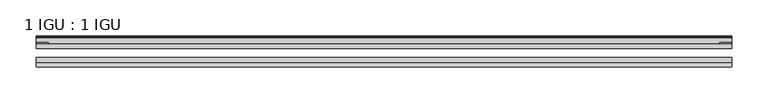
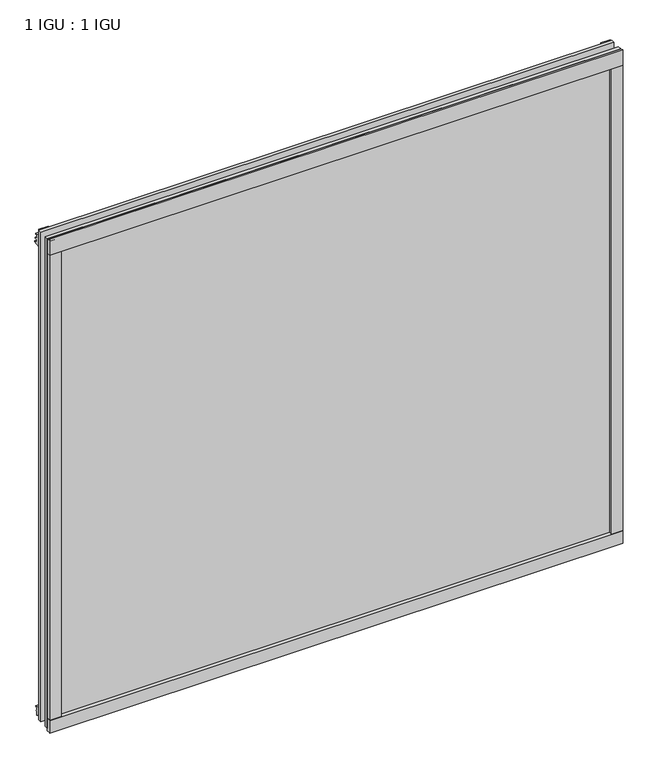
"""IFC4 building model written with IfcOpenShell, lengths in millimetres: plate geometry, 1 IGU : 1 IGU."""

from ifc_helpers import new_model, si_unit, point, frame, frame_2d, origin, place, context, project, spatial, polyline, circle_curve, trimmed, segment, composite_curve, outline, extrude, source, transform, mapped, element, save


def plate_1_igu_1_igu_a15a4ad9(model_context):
    return source(origin(), model_context, "Body", "SweptSolid", [
        extrude(outline(polyline([(481.33, 0.0021347), (481.33, -6.2992), (-481.33, -6.2992), (-481.33, 0.0021347), (481.33, 0.0021347)])), frame((0.0, 0.0, -17.4498), z_axis=(0.0, 0.0, 1.0), x_axis=(1.0, 0.0, 0.0)), (0.0, 0.0, 1.0), 868.3366072),
        extrude(outline(polyline([(-481.33, -19.0986653), (481.33, -19.0986653), (481.33, -25.3978653), (-481.33, -25.3978653), (-481.33, -19.0986653)])), frame((0.0, 0.0, -17.4498), z_axis=(0.0, 0.0, 1.0), x_axis=(1.0, 0.0, 0.0)), (0.0, 0.0, 1.0), 868.3366072),
        extrude(outline(composite_curve([segment(polyline([(-31.75, 0.0), (-25.4, 0.0), (-25.4, -22.225)]), True, "CONTINUOUS"), segment(trimmed(circle_curve(frame_2d((-28.575, -28.9113452)), 7.4018806), [point((-25.4, -22.225))], [point((-31.75, -22.225))], True, "CARTESIAN"), True, "CONTINUOUS"), segment(polyline([(-31.75, -22.225), (-31.75, 0.0)]), True, "CONTINUOUS")], self_intersect=False)), frame((-481.33, 0.0, 0.0), z_axis=(1.0, 0.0, 0.0), x_axis=(0.0, 1.0, 0.0)), (0.0, 0.0, 1.0), 962.66),
        extrude(outline(composite_curve([segment(trimmed(circle_curve(frame_2d((13.6593785, 32.4202472)), 31.3046461), [point((0.0, 4.2528503))], [point((9.3980339, 1.406995))], True, "CARTESIAN"), True, "CONTINUOUS"), segment(polyline([(9.3980339, 1.406995), (9.3980339, 0.0254), (6.35, 0.0254), (6.35, -5.1625788), (7.7309478, -5.3970663), (6.35, -8.0073788), (6.35, -11.8471127)]), True, "CONTINUOUS"), segment(trimmed(circle_curve(frame_2d((5.334, -11.8471127)), 1.016), [point((6.35, -11.8471127))], [point((4.6284878, -12.5782136))], False, "CARTESIAN"), True, "CONTINUOUS"), segment(trimmed(circle_curve(frame_2d((-23.3689302, -41.5910901)), 40.3187601), [point((4.6284878, -12.5782136))], [point((0.0, -8.735413))], True, "CARTESIAN"), True, "CONTINUOUS"), segment(polyline([(0.0, -8.735413), (0.0, 4.2528503)]), True, "CONTINUOUS")], self_intersect=False)), frame((-481.33, 0.0, 0.0), z_axis=(1.0, 0.0, 0.0), x_axis=(0.0, 1.0, 0.0)), (0.0, 0.0, 1.0), 962.66),
        extrude(outline(composite_curve([segment(polyline([(8.509, 840.7300284), (8.509, 838.6980284), (6.35, 838.6980284), (6.35, 833.3640284), (8.9492698, 833.3640284)]), True, "CONTINUOUS"), segment(trimmed(circle_curve(frame_2d((8.208689, 831.8368072)), 1.697311), [point((8.9492698, 833.3640284))], [point((8.962411, 830.3160284))], False, "CARTESIAN"), True, "CONTINUOUS"), segment(polyline([(8.962411, 830.3160284), (6.35, 830.3160284), (6.35, 825.4868072), (11.1252, 825.4868072), (11.1252, 824.5978072)]), True, "CONTINUOUS"), segment(trimmed(circle_curve(frame_2d((10.1092, 824.5978072)), 1.016), [point((11.1252, 824.5978072))], [point((10.1092, 823.5818072))], False, "CARTESIAN"), True, "CONTINUOUS"), segment(trimmed(circle_curve(frame_2d((10.1092, 804.1707318)), 19.4110754), [point((10.1092, 823.5818072))], [point((0.0, 820.7416075))], True, "CARTESIAN"), True, "CONTINUOUS"), segment(polyline([(0.0, 820.7416075), (0.0, 840.7300284), (8.509, 840.7300284)]), True, "CONTINUOUS")], self_intersect=False)), frame((-481.33, 0.0, 0.0), z_axis=(1.0, 0.0, 0.0), x_axis=(0.0, 1.0, 0.0)), (0.0, 0.0, 1.0), 962.66),
        extrude(outline(composite_curve([segment(polyline([(-25.4, 850.8868072), (-25.4, 825.4868072), (-31.75, 825.4868072), (-31.75, 853.6597045)]), True, "CONTINUOUS"), segment(trimmed(circle_curve(frame_2d((-24.1401272, 862.4292187)), 11.6109665), [point((-31.75, 853.6597045))], [point((-25.4, 850.8868072))], True, "CARTESIAN"), True, "CONTINUOUS")], self_intersect=False)), frame((-481.33, 0.0, 0.0), z_axis=(1.0, 0.0, 0.0), x_axis=(0.0, 1.0, 0.0)), (0.0, 0.0, 1.0), 962.66),
        extrude(outline(composite_curve([segment(polyline([(462.28, -25.4), (481.33, -25.4)]), True, "CONTINUOUS"), segment(trimmed(circle_curve(frame_2d((490.7961507, -28.575)), 9.9844196), [point((481.33, -25.4))], [point((481.33, -31.75))], True, "CARTESIAN"), True, "CONTINUOUS"), segment(polyline([(481.33, -31.75), (462.28, -31.75), (462.28, -25.4)]), True, "CONTINUOUS")], self_intersect=False)), frame((0.0, 0.0, -17.4498), z_axis=(0.0, 0.0, 1.0), x_axis=(1.0, 0.0, 0.0)), (0.0, 0.0, 1.0), 868.3366072),
        extrude(outline(polyline([(480.1235, 2.2860088), (480.1235, 0.0021347), (464.2485, 0.0021347), (464.2485, 2.2860088), (480.1235, 2.2860088)])), frame((0.0, 0.0, -17.4498), z_axis=(0.0, 0.0, 1.0), x_axis=(1.0, 0.0, 0.0)), (0.0, 0.0, 1.0), 868.3366072),
        extrude(outline(composite_curve([segment(trimmed(circle_curve(frame_2d((-490.7961507, -28.575)), 9.9844196), [point((-481.33, -31.75))], [point((-481.33, -25.4))], True, "CARTESIAN"), True, "CONTINUOUS"), segment(polyline([(-481.33, -25.4), (-462.28, -25.4), (-462.28, -31.75), (-481.33, -31.75)]), True, "CONTINUOUS")], self_intersect=False)), frame((0.0, 0.0, -17.4498), z_axis=(0.0, 0.0, 1.0), x_axis=(1.0, 0.0, 0.0)), (0.0, 0.0, 1.0), 868.3366072),
        extrude(outline(polyline([(-480.1235, 0.0), (-480.1235, 2.286), (-464.2485, 2.286), (-464.2485, 0.0), (-480.1235, 0.0)])), frame((0.0, 0.0, -17.4498), z_axis=(0.0, 0.0, 1.0), x_axis=(1.0, 0.0, 0.0)), (0.0, 0.0, 1.0), 868.3366072),
    ])


if __name__ == "__main__":
    model = new_model("IFC4")
    model_context = context("Model", 3, world=origin())
    ifc_project = project(units=[si_unit("LENGTHUNIT", "METRE", prefix="MILLI")], contexts=[model_context])
    site = spatial("IfcSite", under=ifc_project)
    building = spatial("IfcBuilding", under=site)
    placement = place(None, origin())
    plate_1_igu_1_igu_shape = plate_1_igu_1_igu_a15a4ad9(model_context)
    element("IfcPlate", 1, ObjectType="1 IGU : 1 IGU", at=placement, inside=building, context=model_context, shape_type="MappedRepresentation", body=[
        mapped(plate_1_igu_1_igu_shape, transform((0.0, 0.0, 0.0), x_axis=(1.0, 0.0, 0.0), y_axis=(0.0, 1.0, 0.0), z_axis=(0.0, 0.0, 1.0))),
    ])
    save(model, "model.ifc")
